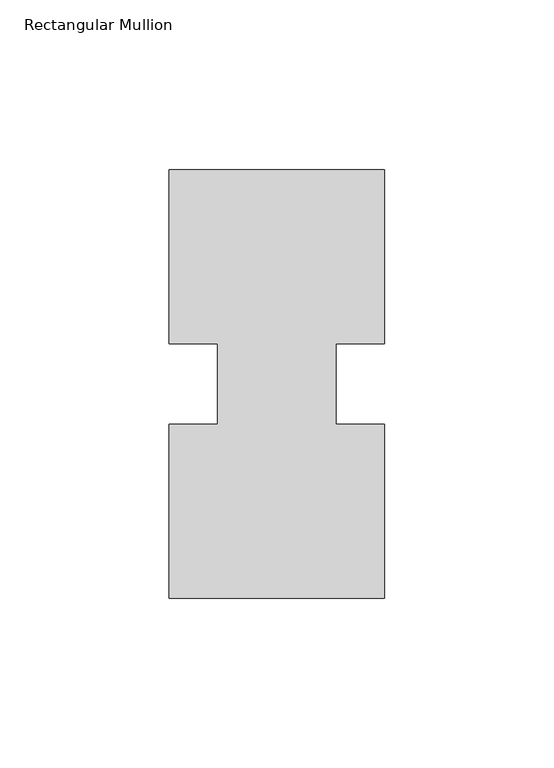
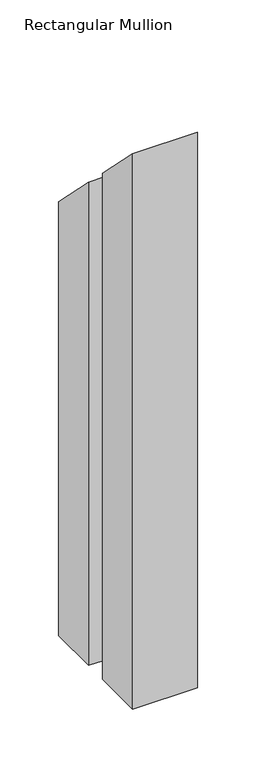
"""IFC4 building model written with IfcOpenShell, lengths in millimetres: member geometry, Rectangular Mullion."""

from ifc_helpers import new_model, si_unit, origin, place, context, project, spatial, faceted_brep, source, transform, mapped, element, save


def rectangular_mullion_878ec2c9(model_context):
    return source(origin(), model_context, "Body", "Brep", [
        faceted_brep([(-63.5, 0.26035, -577.85), (-63.5, 51.60645, -577.85), (-49.2125, 51.60645, -577.85), (-49.2125, 75.40625, -577.85), (-63.5, 75.40625, -577.85), (-63.5, 126.75235, -577.85), (0.0, 126.75235, -577.85), (0.0, 75.40625, -577.85), (-14.2748, 75.40625, -577.85), (-14.2748, 51.60645, -577.85), (0.0, 51.60645, -577.85), (0.0, 0.26035, -577.85), (0.0, 0.26035, -0.26035), (-63.5, 0.26035, -0.26035), (0.0, 51.60645, -51.60645), (-14.2748, 51.60645, -51.60645), (-14.2748, 75.40625, -75.40625), (0.0, 75.40625, -75.40625), (0.0, 126.75235, -126.75235), (-63.5, 126.75235, -126.75235), (-63.5, 75.40625, -75.40625), (-49.2125, 75.40625, -75.40625), (-49.2125, 51.60645, -51.60645), (-63.5, 51.60645, -51.60645)], [[[0, 1, 2, 3, 4, 5, 6, 7, 8, 9, 10, 11]], [[12, 13, 0, 11]], [[14, 12, 11, 10]], [[15, 14, 10, 9]], [[16, 15, 9, 8]], [[17, 16, 8, 7]], [[18, 17, 7, 6]], [[19, 18, 6, 5]], [[20, 19, 5, 4]], [[21, 20, 4, 3]], [[22, 21, 3, 2]], [[23, 22, 2, 1]], [[13, 23, 1, 0]], [[13, 12, 14, 15, 16, 17, 18, 19, 20, 21, 22, 23]]]),
    ])


if __name__ == "__main__":
    model = new_model("IFC4")
    model_context = context("Model", 3, world=origin())
    ifc_project = project(units=[si_unit("LENGTHUNIT", "METRE", prefix="MILLI")], contexts=[model_context])
    site = spatial("IfcSite", under=ifc_project)
    building = spatial("IfcBuilding", under=site)
    placement = place(None, origin())
    rectangular_mullion_shape = rectangular_mullion_878ec2c9(model_context)
    element("IfcMember", 1, ObjectType="Rectangular Mullion", at=placement, inside=building, context=model_context, shape_type="MappedRepresentation", body=[
        mapped(rectangular_mullion_shape, transform((0.0, 0.0, 0.0), x_axis=(1.0, 0.0, 0.0), y_axis=(0.0, 1.0, 0.0), z_axis=(0.0, 0.0, 1.0))),
    ])
    save(model, "model.ifc")
